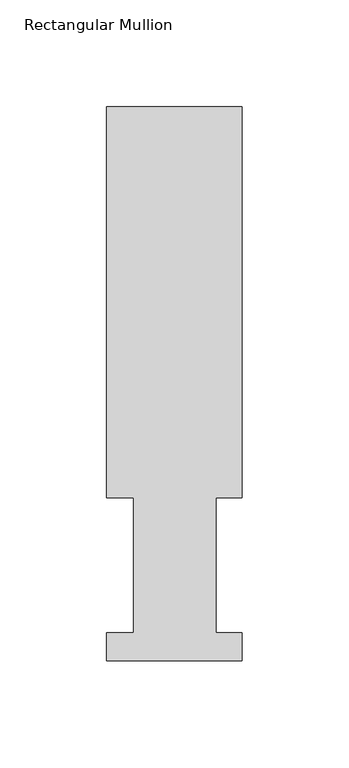
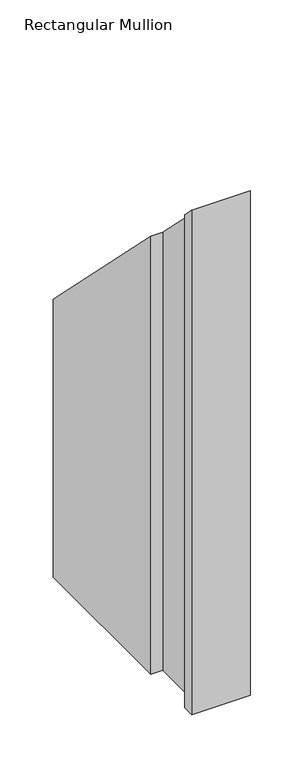
"""IFC4 building model written with IfcOpenShell, lengths in millimetres: member geometry, Rectangular Mullion."""

from ifc_helpers import new_model, si_unit, origin, place, context, project, spatial, faceted_brep, source, transform, mapped, element, save


def rectangular_mullion_51dd0d39(model_context):
    return source(origin(), model_context, "Body", "Brep", [
        faceted_brep([(-63.5, 76.2992187, -577.85), (-63.5, 259.4591074, -577.85), (0.0, 259.4591074, -577.85), (0.0, 76.2992187, -577.85), (-12.3418395, 76.2992187, -577.85), (-12.3418395, 13.1492189, -577.85), (0.0, 13.1492189, -577.85), (0.0, -0.0333811, -577.85), (-63.5, -0.0333811, -577.85), (-63.5, 13.1492189, -577.85), (-50.8, 13.1492189, -577.85), (-50.8, 76.2992187, -577.85), (-50.8, 76.2992187, -76.2992187), (-63.5, 76.2992187, -76.2992187), (-50.8, 13.1492189, -13.1492189), (-63.5, 13.1492189, -13.1492189), (-63.5, -0.0333811, 0.0333811), (0.0, -0.0333811, 0.0333811), (0.0, 13.1492189, -13.1492189), (-12.3418395, 13.1492189, -13.1492189), (-12.3418395, 76.2992187, -76.2992187), (0.0, 76.2992187, -76.2992187), (0.0, 259.4591074, -259.4591074), (-63.5, 259.4591074, -259.4591074)], [[[0, 1, 2, 3, 4, 5, 6, 7, 8, 9, 10, 11]], [[12, 13, 0, 11]], [[14, 12, 11, 10]], [[15, 14, 10, 9]], [[16, 15, 9, 8]], [[17, 16, 8, 7]], [[18, 17, 7, 6]], [[19, 18, 6, 5]], [[20, 19, 5, 4]], [[21, 20, 4, 3]], [[22, 21, 3, 2]], [[23, 22, 2, 1]], [[13, 23, 1, 0]], [[13, 12, 14, 15, 16, 17, 18, 19, 20, 21, 22, 23]]]),
    ])


if __name__ == "__main__":
    model = new_model("IFC4")
    model_context = context("Model", 3, world=origin())
    ifc_project = project(units=[si_unit("LENGTHUNIT", "METRE", prefix="MILLI")], contexts=[model_context])
    site = spatial("IfcSite", under=ifc_project)
    building = spatial("IfcBuilding", under=site)
    placement = place(None, origin())
    rectangular_mullion_shape = rectangular_mullion_51dd0d39(model_context)
    element("IfcMember", 1, ObjectType="Rectangular Mullion", at=placement, inside=building, context=model_context, shape_type="MappedRepresentation", body=[
        mapped(rectangular_mullion_shape, transform((0.0, 0.0, 0.0), x_axis=(1.0, 0.0, 0.0), y_axis=(0.0, 1.0, 0.0), z_axis=(0.0, 0.0, 1.0))),
    ])
    save(model, "model.ifc")
